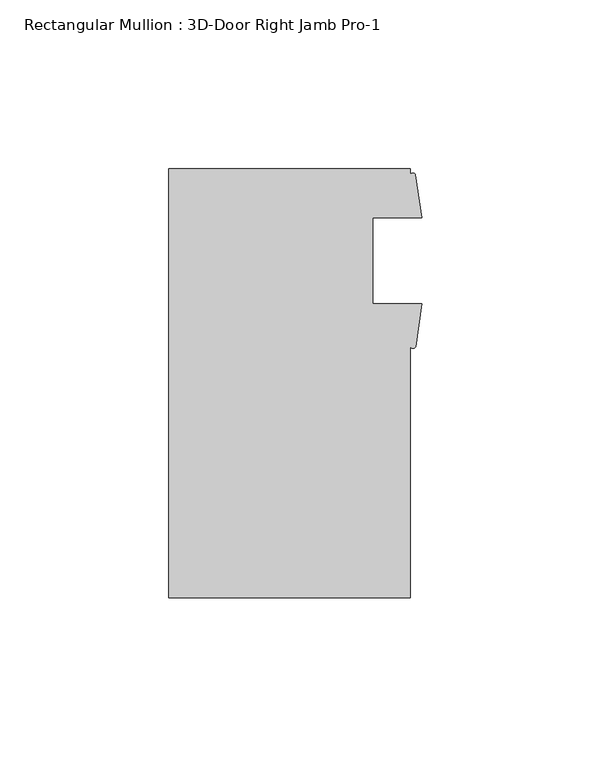
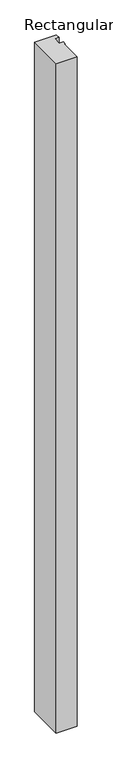
"""IFC4 building model written with IfcOpenShell, lengths in millimetres: member geometry, Rectangular Mullion : 3D-Door Right Jamb Pro-1."""

from ifc_helpers import new_model, si_unit, point, frame, frame_2d, origin, place, context, project, spatial, polyline, circle_curve, trimmed, segment, composite_curve, outline, extrude, source, transform, mapped, element, save


def rectangular_mullion_3d_door_right_jamb_pro_1_c50c3867(model_context):
    return source(origin(), model_context, "Body", "SweptSolid", [
        extrude(outline(composite_curve([segment(polyline([(28.575, 55.5625), (28.575, 53.8302625)]), True, "CONTINUOUS"), segment(trimmed(circle_curve(frame_2d((29.3679481, 53.328645)), 0.9382894), [point((28.575, 53.8302625))], [point((30.1608963, 53.8302625))], False, "CARTESIAN"), True, "CONTINUOUS"), segment(polyline([(30.1608963, 53.8302625), (31.971, 41.058975), (17.4625, 41.058975), (17.4625, 15.6151737), (32.0881568, 15.6151737), (30.2384044, 2.8859222)]), True, "CONTINUOUS"), segment(trimmed(circle_curve(frame_2d((29.4067022, 3.4261715)), 0.991765), [point((30.2384044, 2.8859222))], [point((28.575, 2.8859222))], False, "CARTESIAN"), True, "CONTINUOUS"), segment(polyline([(28.575, 2.8859222), (28.575, -71.4375), (-42.8625, -71.4375), (-42.8625, 55.5625), (28.575, 55.5625)]), True, "CONTINUOUS")], self_intersect=False)), frame((0.0, 0.0, -2406.6584406), z_axis=(0.0, 0.0, 1.0), x_axis=(1.0, 0.0, 0.0)), (0.0, 0.0, 1.0), 2406.6584406),
    ])


if __name__ == "__main__":
    model = new_model("IFC4")
    model_context = context("Model", 3, world=origin())
    ifc_project = project(units=[si_unit("LENGTHUNIT", "METRE", prefix="MILLI")], contexts=[model_context])
    site = spatial("IfcSite", under=ifc_project)
    building = spatial("IfcBuilding", under=site)
    placement = place(None, origin())
    rectangular_mullion_3d_door_right_jamb_pro_1_shape = rectangular_mullion_3d_door_right_jamb_pro_1_c50c3867(model_context)
    element("IfcMember", 1, ObjectType="Rectangular Mullion : 3D-Door Right Jamb Pro-1", at=placement, inside=building, context=model_context, shape_type="MappedRepresentation", body=[
        mapped(rectangular_mullion_3d_door_right_jamb_pro_1_shape, transform((0.0, 0.0, 0.0), x_axis=(1.0, 0.0, 0.0), y_axis=(0.0, 1.0, 0.0), z_axis=(0.0, 0.0, 1.0))),
    ])
    save(model, "model.ifc")
